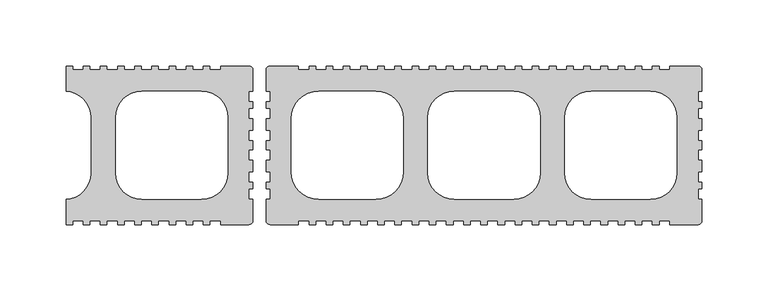
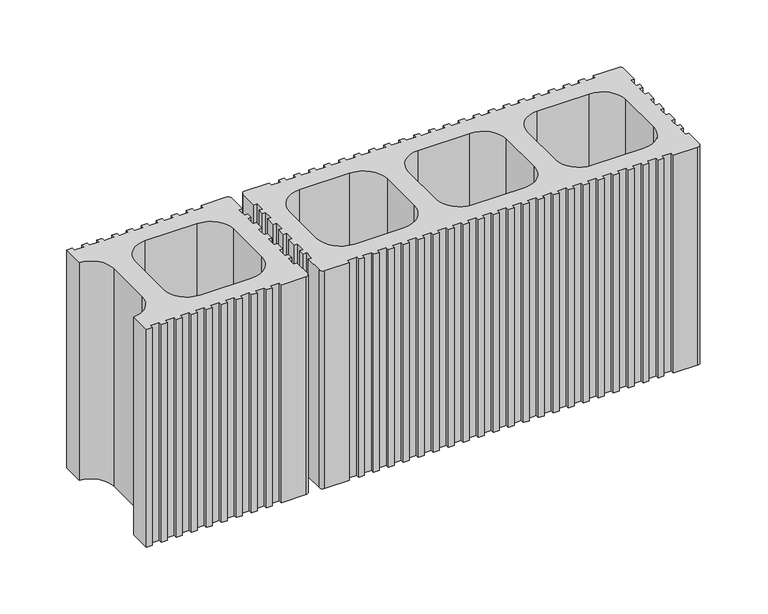
"""IFC4 building model written with IfcOpenShell, lengths in millimetres: plate geometry."""

import ifcopenshell
import ifcopenshell.guid

model = None  # the IFC model being written
_history = None  # IfcOwnerHistory: only IFC2X3 demands one
_inside = {}  # id of a spatial element -> (the spatial element, [elements in it])
_under = {}  # id of a project, library or spatial element -> (it, [spatial elements below it])
_declared = {}  # id of a project -> (the project, [libraries it declares])
_typed = {}  # id of a type object -> (the type object, [elements of that type])
_made_of = {}  # id of a material, layer set ... -> (it, [elements and type objects made of it])


def new_model(schema):
    """Start an empty IFC model of exactly this schema.

    Asked for "IFC4X3", IfcOpenShell would pick the latest addendum, in which some entities
    have other attributes; the version numbers below select the first issue.
    IFC2X3 requires an IfcOwnerHistory on every rooted entity: one is made here for all.
    """
    global model, _history
    if schema == "IFC4X3":
        model = ifcopenshell.file(schema_version=(4, 3, 0, 0))
    else:
        model = ifcopenshell.file(schema=schema)
    _inside.clear()
    _under.clear()
    _declared.clear()
    _typed.clear()
    _made_of.clear()
    _history = None
    if model.schema == "IFC2X3":
        org = make("IfcOrganization", Name="unknown")
        user = make(
            "IfcPersonAndOrganization",
            ThePerson=make("IfcPerson", FamilyName="unknown"),
            TheOrganization=org,
        )
        app = make(
            "IfcApplication",
            ApplicationDeveloper=org,
            Version="unknown",
            ApplicationFullName="unknown",
            ApplicationIdentifier="unknown",
        )
        _history = make(
            "IfcOwnerHistory",
            OwningUser=user,
            OwningApplication=app,
            ChangeAction="ADDED",
            CreationDate=0,
        )
    return model


def make(cls, **values):
    """One entity of the class cls with the attributes given. An attribute that is None is left unset."""
    return model.create_entity(
        cls, **{name: value for name, value in values.items() if value is not None}
    )


def rooted(cls, **values):
    """An entity with a GlobalId (a new one), such as an element, a storey or a relation."""
    return make(cls, GlobalId=ifcopenshell.guid.new(), OwnerHistory=_history, **values)


def si_unit(unit_type, name, prefix=None):
    """IfcSIUnit, for example si_unit("LENGTHUNIT", "METRE", prefix="MILLI")."""
    return make("IfcSIUnit", UnitType=unit_type, Prefix=prefix, Name=name)


def assignment(units):
    """IfcUnitAssignment: the units of a project."""
    return None if units is None else make("IfcUnitAssignment", Units=units)


def point(xyz):
    """IfcCartesianPoint."""
    return None if xyz is None else make("IfcCartesianPoint", Coordinates=xyz)


def direction(xyz):
    """IfcDirection."""
    return None if xyz is None else make("IfcDirection", DirectionRatios=xyz)


def frame(location, z_axis=None, x_axis=None):
    """IfcAxis2Placement3D, a coordinate frame: its origin and axes. An axis left out is left unset."""
    return make(
        "IfcAxis2Placement3D",
        Location=point(location),
        Axis=direction(z_axis),
        RefDirection=direction(x_axis),
    )


def frame_2d(location, x_axis=None):
    """IfcAxis2Placement2D, a coordinate frame in the plane: its origin and x axis."""
    return make(
        "IfcAxis2Placement2D", Location=point(location), RefDirection=direction(x_axis)
    )


def origin():
    """The frame at (0, 0, 0) with its axes left unset."""
    return frame((0.0, 0.0, 0.0))


def origin_with_axes():
    """The frame at (0, 0, 0) with the z axis (0, 0, 1) and the x axis (1, 0, 0) written out."""
    return frame((0.0, 0.0, 0.0), z_axis=(0.0, 0.0, 1.0), x_axis=(1.0, 0.0, 0.0))


def place(relative_to, where):
    """IfcLocalPlacement: puts the frame where relative to a parent placement (None: the world)."""
    return make(
        "IfcLocalPlacement", PlacementRelTo=relative_to, RelativePlacement=where
    )


def context(
    kind, dimensions, precision=None, world=None, true_north=None, identifier=None
):
    """IfcGeometricRepresentationContext, for example the 3D "Model" context."""
    return make(
        "IfcGeometricRepresentationContext",
        ContextIdentifier=identifier,
        ContextType=kind,
        CoordinateSpaceDimension=dimensions,
        Precision=precision,
        WorldCoordinateSystem=world,
        TrueNorth=true_north,
    )


def project(units=None, contexts=None):
    """IfcProject with its units and contexts."""
    return rooted(
        "IfcProject",
        Name="project",
        RepresentationContexts=contexts,
        UnitsInContext=assignment(units),
    )


def spatial(cls, under=None, at=None, **own):
    """A site, building, storey or space (cls), placed at a placement, below another one or the project."""
    s = rooted(cls, ObjectPlacement=at, **own)
    if under is not None:
        _under.setdefault(under.id(), (under, []))[1].append(s)
    return s


def polyline(points):
    """IfcPolyline through the points."""
    return make("IfcPolyline", Points=[point(p) for p in points])


def circle_curve(where, radius):
    """IfcCircle in the frame where."""
    return make("IfcCircle", Position=where, Radius=radius)


def trimmed(basis, trim1, trim2, sense, master):
    """IfcTrimmedCurve: the piece of a basis curve between two trims."""
    return make(
        "IfcTrimmedCurve",
        BasisCurve=basis,
        Trim1=trim1,
        Trim2=trim2,
        SenseAgreement=sense,
        MasterRepresentation=master,
    )


def segment(curve, same_sense, transition):
    """IfcCompositeCurveSegment."""
    return make(
        "IfcCompositeCurveSegment",
        Transition=transition,
        SameSense=same_sense,
        ParentCurve=curve,
    )


def composite_curve(segments, self_intersect=None):
    """IfcCompositeCurve: segments joined end to end."""
    return make("IfcCompositeCurve", Segments=segments, SelfIntersect=self_intersect)


def outline(outer, holes=None, kind="AREA"):
    """IfcArbitraryClosedProfileDef: a profile drawn as a closed curve; with holes, ...WithVoids."""
    if holes is None:
        return make("IfcArbitraryClosedProfileDef", ProfileType=kind, OuterCurve=outer)
    return make(
        "IfcArbitraryProfileDefWithVoids",
        ProfileType=kind,
        OuterCurve=outer,
        InnerCurves=holes,
    )


def extrude(swept, where, along, depth):
    """IfcExtrudedAreaSolid: the profile swept, set in the frame where, extruded along a direction by depth."""
    return make(
        "IfcExtrudedAreaSolid",
        SweptArea=swept,
        Position=where,
        ExtrudedDirection=direction(along),
        Depth=depth,
    )


def shape(context_of_items, identifier, shape_type, items):
    """IfcShapeRepresentation: the items that make up one representation, for example the "Body"."""
    return make(
        "IfcShapeRepresentation",
        ContextOfItems=context_of_items,
        RepresentationIdentifier=identifier,
        RepresentationType=shape_type,
        Items=items,
    )


def source(mapping_origin, context_of_items, identifier, shape_type, items):
    """IfcRepresentationMap: a shape defined once, which mapped items show again and again."""
    return make(
        "IfcRepresentationMap",
        MappingOrigin=mapping_origin,
        MappedRepresentation=shape(context_of_items, identifier, shape_type, items),
    )


def transform(
    local_origin,
    x_axis=None,
    y_axis=None,
    z_axis=None,
    scale=None,
    scale2=None,
    scale3=None,
    uniform=True,
):
    """IfcCartesianTransformationOperator3D, or its non-uniform kind. x_axis, y_axis, z_axis: its Axis1, 2, 3."""
    if uniform:
        return make(
            "IfcCartesianTransformationOperator3D",
            Axis1=direction(x_axis),
            Axis2=direction(y_axis),
            LocalOrigin=point(local_origin),
            Scale=scale,
            Axis3=direction(z_axis),
        )
    return make(
        "IfcCartesianTransformationOperator3DnonUniform",
        Axis1=direction(x_axis),
        Axis2=direction(y_axis),
        LocalOrigin=point(local_origin),
        Scale=scale,
        Axis3=direction(z_axis),
        Scale2=scale2,
        Scale3=scale3,
    )


def mapped(mapping_source, mapping_target):
    """IfcMappedItem: shows the shape of a source again, moved by a transform."""
    return make(
        "IfcMappedItem", MappingSource=mapping_source, MappingTarget=mapping_target
    )


def made_of(thing, what):
    """Note that an element or type object is made of a material, layer set ...; save() writes the relation."""
    if what is not None:
        _made_of.setdefault(what.id(), (what, []))[1].append(thing)
    return thing


def element(
    cls,
    number,
    at=None,
    inside=None,
    cuts=None,
    type_object=None,
    material=None,
    context=None,
    identifier="Body",
    shape_type=None,
    held_by="IfcProductDefinitionShape",
    body=None,
    shapes=None,
    **own,
):
    """One element of the class cls, such as IfcWall. Its Tag is "e" and its number.

    at: its placement. inside: the storey or other place that contains it. cuts: it is an
    opening in that element (IfcRelVoidsElement). A single representation is given by context,
    identifier, shape_type and body (its items); several are given by shapes. held_by: the class
    of the entity that holds the representations. save() writes the other relations.
    """
    e = rooted(cls, Tag="e%d" % number, ObjectPlacement=at, **own)
    if body is not None:
        shapes = [shape(context, identifier, shape_type, body)]
    if shapes is not None:
        e.Representation = make(held_by, Representations=shapes)
    if inside is not None:
        _inside.setdefault(inside.id(), (inside, []))[1].append(e)
    if cuts is not None:
        rooted(
            "IfcRelVoidsElement", RelatingBuildingElement=cuts, RelatedOpeningElement=e
        )
    if type_object is not None:
        _typed.setdefault(type_object.id(), (type_object, []))[1].append(e)
    return made_of(e, material)


def aggregate(whole, parts):
    """IfcRelAggregates: a whole, such as a stair, and the parts it consists of."""
    return rooted("IfcRelAggregates", RelatingObject=whole, RelatedObjects=parts)


def save(model, path):
    """Write the relations noted so far, then the file.

    IfcRelAggregates (storeys below a building ...), IfcRelContainedInSpatialStructure (elements
    in a storey), IfcRelDefinesByType, IfcRelAssociatesMaterial and IfcRelDeclares: one each for
    every whole, place, type object, material and project.
    """
    for whole, parts in _under.values():
        aggregate(whole, parts)
    for where, things in _inside.values():
        rooted(
            "IfcRelContainedInSpatialStructure",
            RelatedElements=things,
            RelatingStructure=where,
        )
    for kind, things in _typed.values():
        rooted("IfcRelDefinesByType", RelatedObjects=things, RelatingType=kind)
    for what, things in _made_of.values():
        rooted("IfcRelAssociatesMaterial", RelatedObjects=things, RelatingMaterial=what)
    for by, libraries in _declared.values():
        rooted("IfcRelDeclares", RelatingContext=by, RelatedDefinitions=libraries)
    model.write(path)


def plate_3660ea37(model_context):
    return source(origin(), model_context, "Body", "SweptSolid", [
        extrude(outline(composite_curve([segment(polyline([(-132.9999921, 59.9999786), (-111.4999177, 59.9999786)]), True, "CONTINUOUS"), segment(trimmed(circle_curve(frame_2d((-111.4999177, 56.9999689)), 3.0000097), [point((-111.4999177, 59.9999786))], [point((-108.4999079, 56.9999689))], False, "CARTESIAN"), True, "CONTINUOUS"), segment(polyline([(-108.4999079, 56.9999689), (-108.4999079, 40.9999178), (-111.4999177, 40.9999178), (-111.4999177, 32.9998906), (-108.499908, 32.9998906), (-108.499908, 27.9998736), (-111.4999177, 27.9998736), (-111.4999177, 19.9998502), (-108.499908, 19.9998502), (-108.499908, 11.4998204), (-111.4999177, 11.4998204), (-111.4999177, 3.4997969), (-108.499908, 3.4997969), (-108.499908, -3.5002287), (-111.4999177, -3.5002287), (-111.4999177, -11.5002559), (-108.499908, -11.5002559), (-108.499908, -20.0002782), (-111.4999177, -20.0002782), (-111.4999177, -28.0003054), (-108.499908, -28.0003054), (-108.499908, -33.0003242), (-111.4999177, -33.0003242), (-111.4999177, -41.0003514), (-108.499908, -41.0003514), (-108.499908, -57.0004015)]), True, "CONTINUOUS"), segment(trimmed(circle_curve(frame_2d((-111.4999131, -57.0004015)), 3.0000051), [point((-108.499908, -57.0004015))], [point((-111.4999131, -60.0004066))], False, "CARTESIAN"), True, "CONTINUOUS"), segment(polyline([(-111.4999131, -60.0004066), (-132.9999921, -60.0004066), (-132.9999921, -57.0003969), (-141.0000044, -57.0003969), (-141.0000044, -60.0004066), (-146.0000456, -60.0004066), (-146.0000456, -57.0003969), (-154.0000578, -57.0003969), (-154.0000578, -60.0004066), (-159.0000692, -60.0004066), (-159.0000692, -57.0003969), (-167.0001113, -57.0003969), (-167.0001113, -60.0004066), (-172.0001227, -60.0004066), (-172.0001227, -57.0003969), (-180.000135, -57.0003969), (-180.000135, -60.0004066), (-185.0001464, -60.0004066), (-185.0001464, -57.0003969), (-193.0001884, -57.0003969), (-193.0001884, -60.0004066), (-198.0001998, -60.0004066), (-198.0001998, -57.0003969), (-206.000227, -57.0003969), (-206.000227, -60.0004066), (-211.0002384, -60.0004066), (-211.0002384, -57.0003969), (-219.0002655, -57.0003969), (-219.0002655, -60.0004066), (-224.0002918, -60.0004066), (-224.0002918, -57.0003969), (-232.000319, -57.0003969), (-232.000319, -60.0004066), (-237.0003304, -60.0004066), (-237.0003304, -57.0003969), (-245.0003576, -57.0003969), (-245.0003576, -60.0004066), (-250.000369, -60.0004066), (-250.000369, -40.9753929)]), True, "CONTINUOUS"), segment(trimmed(circle_curve(frame_2d((-251.0003328, -21.0003418)), 20.0000648), [point((-250.000369, -40.9753929))], [point((-231.0002681, -21.0003418))], True, "CARTESIAN"), True, "CONTINUOUS"), segment(polyline([(-231.0002681, -21.0003418), (-231.0002681, 20.9999138)]), True, "CONTINUOUS"), segment(trimmed(circle_curve(frame_2d((-251.0003328, 20.9999138)), 20.0000648), [point((-231.0002681, 20.9999138))], [point((-250.000369, 40.9749648))], True, "CARTESIAN"), True, "CONTINUOUS"), segment(polyline([(-250.000369, 40.9749648), (-250.000369, 59.9999786), (-245.0003576, 59.9999786), (-245.0003576, 56.9999689), (-237.0003304, 56.9999689), (-237.0003304, 59.9999786), (-232.000319, 59.9999786), (-232.000319, 56.9999689), (-224.0002918, 56.9999689), (-224.0002918, 59.9999786), (-219.0002655, 59.9999786), (-219.0002655, 56.9999689), (-211.0002384, 56.9999689), (-211.0002384, 59.9999786), (-206.000227, 59.9999786), (-206.000227, 56.9999689), (-198.0001998, 56.9999689), (-198.0001998, 59.9999786), (-193.0001884, 59.9999786), (-193.0001884, 56.9999689), (-185.0001464, 56.9999689), (-185.0001464, 59.9999786), (-180.000135, 59.9999786), (-180.000135, 56.9999689), (-172.0001227, 56.9999689), (-172.0001227, 59.9999786), (-167.0001113, 59.9999786), (-167.0001113, 56.9999689), (-159.0000692, 56.9999689), (-159.0000692, 59.9999786), (-154.0000578, 59.9999786), (-154.0000578, 56.9999689), (-146.0000456, 56.9999689), (-146.0000456, 59.9999786), (-141.0000044, 59.9999786), (-141.0000044, 56.9999689), (-132.9999921, 56.9999689), (-132.9999921, 59.9999786)]), True, "CONTINUOUS")], self_intersect=False), holes=[composite_curve([segment(trimmed(circle_curve(frame_2d((-192.5001879, -21.0003418)), 20.0000648), [point((-212.5002526, -21.0003418))], [point((-192.5001879, -41.0004066))], True, "CARTESIAN"), True, "CONTINUOUS"), segment(polyline([(-192.5001879, -41.0004066), (-147.4999653, -41.0004066)]), True, "CONTINUOUS"), segment(trimmed(circle_curve(frame_2d((-147.4999653, -21.0003418)), 20.0000648), [point((-147.4999653, -41.0004066))], [point((-127.4999005, -21.0003418))], True, "CARTESIAN"), True, "CONTINUOUS"), segment(polyline([(-127.4999005, -21.0003418), (-127.4999005, 20.9999138)]), True, "CONTINUOUS"), segment(trimmed(circle_curve(frame_2d((-147.4999653, 20.9999138)), 20.0000648), [point((-127.4999005, 20.9999138))], [point((-147.4999653, 40.9999786))], True, "CARTESIAN"), True, "CONTINUOUS"), segment(polyline([(-147.4999653, 40.9999786), (-192.5001879, 40.9999786)]), True, "CONTINUOUS"), segment(trimmed(circle_curve(frame_2d((-192.5001879, 20.9999138)), 20.0000648), [point((-192.5001879, 40.9999786))], [point((-212.5002526, 20.9999138))], True, "CARTESIAN"), True, "CONTINUOUS"), segment(polyline([(-212.5002526, 20.9999138), (-212.5002526, -21.0003418)]), True, "CONTINUOUS")], self_intersect=False)]), origin_with_axes(), (0.0, 0.0, 1.0), 200.0),
        extrude(outline(composite_curve([segment(polyline([(-74.0000662, 60.0005091), (-74.0000662, 57.0004994), (-66.0000409, 57.0004994), (-66.0000409, 60.0005091), (-61.0000221, 60.0005091), (-61.0000221, 57.0004994), (-52.9999986, 57.0004994), (-52.9999986, 60.0005091), (-47.9999798, 60.0005091), (-47.9999798, 57.0004994), (-39.9999564, 57.0004994), (-39.9999564, 60.0005091), (-34.9999375, 60.0005091), (-34.9999375, 57.0004994), (-26.9999103, 57.0004994), (-26.9999103, 60.0005091), (-21.999899, 60.0005091), (-21.999899, 57.0004994), (-13.9998718, 57.0004994), (-13.9998718, 60.0005091), (-8.9998529, 60.0005091), (-8.9998529, 57.0004994), (-0.9998332, 57.0004994), (-0.9998332, 60.0005091), (4.0001856, 60.0005091), (4.0001856, 57.0004994), (12.0002128, 57.0004994), (12.0002128, 60.0005091), (17.0002316, 60.0005091), (17.0002316, 57.0004994), (25.0002514, 57.0004994), (25.0002514, 60.0005091), (30.0002702, 60.0005091), (30.0002702, 57.0004994), (38.0002974, 57.0004994), (38.0002974, 60.0005091), (43.0003088, 60.0005091), (43.0003088, 57.0004994), (51.0003359, 57.0004994), (51.0003359, 60.0005091), (56.0003473, 60.0005091), (56.0003473, 57.0004994), (64.0003745, 57.0004994), (64.0003745, 60.0005091), (69.0004008, 60.0005091), (69.0004008, 57.0004994), (77.000428, 57.0004994), (77.000428, 60.0005091), (82.0004394, 60.0005091), (82.0004394, 57.0004994), (90.0004665, 57.0004994), (90.0004665, 60.0005091), (95.0004779, 60.0005091), (95.0004779, 57.0004994), (103.0005051, 57.0004994), (103.0005051, 60.0005091), (108.0005165, 60.0005091), (108.0005165, 57.0004994), (116.0005437, 57.0004994), (116.0005437, 60.0005091), (121.0005699, 60.0005091), (121.0005699, 57.0004994), (129.0005971, 57.0004994), (129.0005971, 60.0005091), (134.0006085, 60.0005091), (134.0006085, 57.0004994), (142.0006357, 57.0004994), (142.0006357, 60.0005091), (147.0006471, 60.0005091), (147.0006471, 57.0004994), (155.0006891, 57.0004994), (155.0006891, 60.0005091), (160.0007005, 60.0005091), (160.0007005, 57.0004994), (168.0007128, 57.0004994), (168.0007128, 60.0005091), (173.0007242, 60.0005091), (173.0007242, 57.0004994), (181.0007663, 57.0004994), (181.0007663, 60.0005091), (186.0007777, 60.0005091), (186.0007777, 57.0004994), (194.0007899, 57.0004994), (194.0007899, 60.0005091), (199.0008311, 60.0005091), (199.0008311, 57.0004994), (207.0008434, 57.0004994), (207.0008434, 60.0005091), (228.5009178, 60.0005091)]), True, "CONTINUOUS"), segment(trimmed(circle_curve(frame_2d((228.5009178, 57.0004994)), 3.0000097), [point((228.5009178, 60.0005091))], [point((231.5009275, 57.0004994))], False, "CARTESIAN"), True, "CONTINUOUS"), segment(polyline([(231.5009275, 57.0004994), (231.5009275, 41.0004482), (228.5009178, 41.0004482), (228.5009178, 33.0004211), (231.5009275, 33.0004211), (231.5009275, 28.0004041), (228.5009178, 28.0004041), (228.5009178, 20.0003807), (231.5009275, 20.0003807), (231.5009275, 11.5003509), (228.5009178, 11.5003509), (228.5009178, 3.5003274), (231.5009275, 3.5003274), (231.5009275, -3.4996982), (228.5009178, -3.4996982), (228.5009178, -11.4997254), (231.5009275, -11.4997254), (231.5009275, -19.9997477), (228.5009178, -19.9997477), (228.5009178, -27.9997749), (231.5009275, -27.9997749), (231.5009275, -32.9997937), (228.5009178, -32.9997937), (228.5009178, -40.9998209), (231.5009275, -40.9998209), (231.5009275, -56.999871)]), True, "CONTINUOUS"), segment(trimmed(circle_curve(frame_2d((228.5009224, -56.999871)), 3.0000051), [point((231.5009275, -56.999871))], [point((228.5009224, -59.9998761))], False, "CARTESIAN"), True, "CONTINUOUS"), segment(polyline([(228.5009224, -59.9998761), (207.0008434, -59.9998761), (207.0008434, -56.9998664), (199.0008311, -56.9998664), (199.0008311, -59.9998761), (194.0007899, -59.9998761), (194.0007899, -56.9998664), (186.0007777, -56.9998664), (186.0007777, -59.9998761), (181.0007663, -59.9998761), (181.0007663, -56.9998664), (173.0007242, -56.9998664), (173.0007242, -59.9998761), (168.0007128, -59.9998761), (168.0007128, -56.9998664), (160.0007005, -56.9998664), (160.0007005, -59.9998761), (155.0006891, -59.9998761), (155.0006891, -56.9998664), (147.0006471, -56.9998664), (147.0006471, -59.9998761), (142.0006357, -59.9998761), (142.0006357, -56.9998664), (134.0006085, -56.9998664), (134.0006085, -59.9998761), (129.0005971, -59.9998761), (129.0005971, -56.9998664), (121.0005699, -56.9998664), (121.0005699, -59.9998761), (116.0005437, -59.9998761), (116.0005437, -56.9998664), (108.0005165, -56.9998664), (108.0005165, -59.9998761), (103.0005051, -59.9998761), (103.0005051, -56.9998664), (95.0004779, -56.9998664), (95.0004779, -59.9998761), (90.0004665, -59.9998761), (90.0004665, -56.9998664), (82.0004394, -56.9998664), (82.0004394, -59.9998761), (77.000428, -59.9998761), (77.000428, -56.9998664), (69.0004008, -56.9998664), (69.0004008, -59.9998761), (64.0003745, -59.9998761), (64.0003745, -56.9998664), (56.0003473, -56.9998664), (56.0003473, -59.9998761), (51.0003359, -59.9998761), (51.0003359, -56.9998664), (43.0003088, -56.9998664), (43.0003088, -59.9998761), (38.0002974, -59.9998761), (38.0002974, -56.9998664), (30.0002702, -56.9998664), (30.0002702, -59.9998761), (25.0002514, -59.9998761), (25.0002514, -56.9998664), (17.0002316, -56.9998664), (17.0002316, -59.9998761), (12.0002128, -59.9998761), (12.0002128, -56.9998664), (4.0001856, -56.9998664), (4.0001856, -59.9998761), (-0.9998332, -59.9998761), (-0.9998332, -56.9998664), (-8.9998529, -56.9998664), (-8.9998529, -59.9998761), (-13.9998718, -59.9998761), (-13.9998718, -56.9998664), (-21.999899, -56.9998664), (-21.999899, -59.9998761), (-26.9999103, -59.9998761), (-26.9999103, -56.9998664), (-34.9999375, -56.9998664), (-34.9999375, -59.9998761), (-39.9999564, -59.9998761), (-39.9999564, -56.9998664), (-47.9999798, -56.9998664), (-47.9999798, -59.9998761), (-52.9999986, -59.9998761), (-52.9999986, -56.9998664), (-61.0000221, -56.9998664), (-61.0000221, -59.9998761), (-66.0000409, -59.9998761), (-66.0000409, -56.9998664), (-74.0000662, -56.9998664), (-74.0000662, -59.9998761), (-95.5001397, -59.9998761)]), True, "CONTINUOUS"), segment(trimmed(circle_curve(frame_2d((-95.5001397, -56.999871)), 3.0000051), [point((-95.5001397, -59.9998761))], [point((-98.5001448, -56.999871))], False, "CARTESIAN"), True, "CONTINUOUS"), segment(polyline([(-98.5001448, -56.999871), (-98.5001448, -40.9998209), (-95.5001351, -40.9998209), (-95.5001351, -32.9997937), (-98.5001448, -32.9997937), (-98.5001448, -27.9997749), (-95.5001351, -27.9997749), (-95.5001351, -19.9997477), (-98.5001448, -19.9997477), (-98.5001448, -11.4997254), (-95.5001351, -11.4997254), (-95.5001351, -3.4996982), (-98.5001448, -3.4996982), (-98.5001448, 3.5003274), (-95.5001351, 3.5003274), (-95.5001351, 11.5003509), (-98.5001448, 11.5003509), (-98.5001448, 20.0003807), (-95.5001351, 20.0003807), (-95.5001351, 28.0004041), (-98.5001448, 28.0004041), (-98.5001448, 33.0004211), (-95.5001351, 33.0004211), (-95.5001351, 41.0004483), (-98.5001448, 41.0004483), (-98.5001448, 57.0004994)]), True, "CONTINUOUS"), segment(trimmed(circle_curve(frame_2d((-95.5001351, 57.0004994)), 3.0000097), [point((-98.5001448, 57.0004994))], [point((-95.5001351, 60.0005091))], False, "CARTESIAN"), True, "CONTINUOUS"), segment(polyline([(-95.5001351, 60.0005091), (-74.0000662, 60.0005091)]), True, "CONTINUOUS")], self_intersect=False), holes=[composite_curve([segment(polyline([(-79.5001448, 20.0005091), (-79.5001448, -19.9998761)]), True, "CONTINUOUS"), segment(trimmed(circle_curve(frame_2d((-58.5001448, -19.9998761)), 21.0), [point((-79.5001448, -19.9998761))], [point((-58.5001448, -40.9998761))], True, "CARTESIAN"), True, "CONTINUOUS"), segment(polyline([(-58.5001448, -40.9998761), (-15.4997927, -40.9998761)]), True, "CONTINUOUS"), segment(trimmed(circle_curve(frame_2d((-15.4997927, -19.9998761)), 21.0), [point((-15.4997927, -40.9998761))], [point((5.5002073, -19.9998761))], True, "CARTESIAN"), True, "CONTINUOUS"), segment(polyline([(5.5002073, -19.9998761), (5.5002073, 20.0005091)]), True, "CONTINUOUS"), segment(trimmed(circle_curve(frame_2d((-15.4997927, 20.0005091)), 21.0), [point((5.5002073, 20.0005091))], [point((-15.4997927, 41.0005091))], True, "CARTESIAN"), True, "CONTINUOUS"), segment(polyline([(-15.4997927, 41.0005091), (-58.5001448, 41.0005091)]), True, "CONTINUOUS"), segment(trimmed(circle_curve(frame_2d((-58.5001448, 20.0005091)), 21.0), [point((-58.5001448, 41.0005091))], [point((-79.5001448, 20.0005091))], True, "CARTESIAN"), True, "CONTINUOUS")], self_intersect=False), composite_curve([segment(polyline([(24.0002153, 21.0004443), (24.0002153, -20.9998113)]), True, "CONTINUOUS"), segment(trimmed(circle_curve(frame_2d((44.0002801, -20.9998113)), 20.0000648), [point((24.0002153, -20.9998113))], [point((44.0002801, -40.9998761))], True, "CARTESIAN"), True, "CONTINUOUS"), segment(polyline([(44.0002801, -40.9998761), (89.0005027, -40.9998761)]), True, "CONTINUOUS"), segment(trimmed(circle_curve(frame_2d((89.0005027, -20.9998113)), 20.0000648), [point((89.0005027, -40.9998761))], [point((109.0005674, -20.9998113))], True, "CARTESIAN"), True, "CONTINUOUS"), segment(polyline([(109.0005674, -20.9998113), (109.0005674, 21.0004443)]), True, "CONTINUOUS"), segment(trimmed(circle_curve(frame_2d((89.0005027, 21.0004443)), 20.0000648), [point((109.0005674, 21.0004443))], [point((89.0005027, 41.0005091))], True, "CARTESIAN"), True, "CONTINUOUS"), segment(polyline([(89.0005027, 41.0005091), (44.0002801, 41.0005091)]), True, "CONTINUOUS"), segment(trimmed(circle_curve(frame_2d((44.0002801, 21.0004443)), 20.0000648), [point((44.0002801, 41.0005091))], [point((24.0002153, 21.0004443))], True, "CARTESIAN"), True, "CONTINUOUS")], self_intersect=False), composite_curve([segment(trimmed(circle_curve(frame_2d((147.5006476, -20.9998113)), 20.0000648), [point((127.5005829, -20.9998113))], [point((147.5006476, -40.9998761))], True, "CARTESIAN"), True, "CONTINUOUS"), segment(polyline([(147.5006476, -40.9998761), (192.5008702, -40.9998761)]), True, "CONTINUOUS"), segment(trimmed(circle_curve(frame_2d((192.5008702, -20.9998113)), 20.0000648), [point((192.5008702, -40.9998761))], [point((212.500935, -20.9998113))], True, "CARTESIAN"), True, "CONTINUOUS"), segment(polyline([(212.500935, -20.9998113), (212.500935, 21.0004443)]), True, "CONTINUOUS"), segment(trimmed(circle_curve(frame_2d((192.5008702, 21.0004443)), 20.0000648), [point((212.500935, 21.0004443))], [point((192.5008702, 41.0005091))], True, "CARTESIAN"), True, "CONTINUOUS"), segment(polyline([(192.5008702, 41.0005091), (147.5006476, 41.0005091)]), True, "CONTINUOUS"), segment(trimmed(circle_curve(frame_2d((147.5006476, 21.0004443)), 20.0000648), [point((147.5006476, 41.0005091))], [point((127.5005829, 21.0004443))], True, "CARTESIAN"), True, "CONTINUOUS"), segment(polyline([(127.5005829, 21.0004443), (127.5005829, -20.9998113)]), True, "CONTINUOUS")], self_intersect=False)]), origin_with_axes(), (0.0, 0.0, 1.0), 200.0),
    ])


if __name__ == "__main__":
    model = new_model("IFC4")
    model_context = context("Model", 3, world=origin())
    ifc_project = project(units=[si_unit("LENGTHUNIT", "METRE", prefix="MILLI")], contexts=[model_context])
    site = spatial("IfcSite", under=ifc_project)
    building = spatial("IfcBuilding", under=site)
    placement = place(None, origin())
    plate_shape = plate_3660ea37(model_context)
    element("IfcPlate", 1, at=placement, inside=building, context=model_context, shape_type="MappedRepresentation", body=[
        mapped(plate_shape, transform((0.0, 0.0, 0.0), x_axis=(1.0, 0.0, 0.0), y_axis=(0.0, 1.0, 0.0), z_axis=(0.0, 0.0, 1.0))),
    ])
    save(model, "model.ifc")
